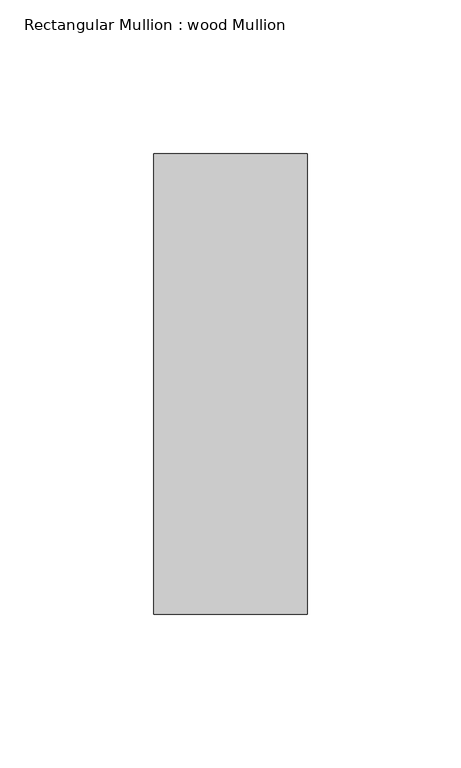
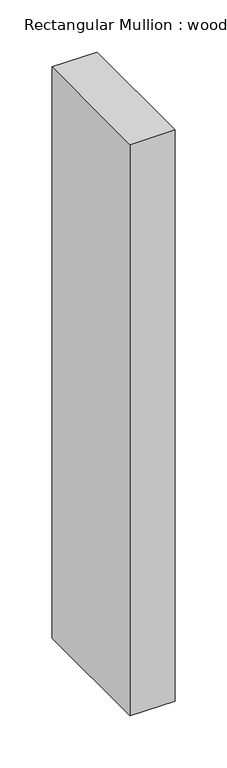
"""IFC4 building model written with IfcOpenShell, lengths in millimetres: member geometry, Rectangular Mullion : wood Mullion."""

from ifc_helpers import new_model, si_unit, frame, origin, place, context, project, spatial, polyline, outline, extrude, source, transform, mapped, element, save


def rectangular_mullion_wood_mullion_cece93f5(model_context):
    return source(origin(), model_context, "Body", "SweptSolid", [
        extrude(outline(polyline([(0.0, 75.0), (0.0, -75.0), (-50.0, -75.0), (-50.0, 75.0), (0.0, 75.0)])), frame((0.0, 0.0, -670.0), z_axis=(0.0, 0.0, 1.0), x_axis=(1.0, 0.0, 0.0)), (0.0, 0.0, 1.0), 670.0),
    ])


if __name__ == "__main__":
    model = new_model("IFC4")
    model_context = context("Model", 3, world=origin())
    ifc_project = project(units=[si_unit("LENGTHUNIT", "METRE", prefix="MILLI")], contexts=[model_context])
    site = spatial("IfcSite", under=ifc_project)
    building = spatial("IfcBuilding", under=site)
    placement = place(None, origin())
    rectangular_mullion_wood_mullion_shape = rectangular_mullion_wood_mullion_cece93f5(model_context)
    element("IfcMember", 1, ObjectType="Rectangular Mullion : wood Mullion", at=placement, inside=building, context=model_context, shape_type="MappedRepresentation", body=[
        mapped(rectangular_mullion_wood_mullion_shape, transform((0.0, 0.0, 0.0), x_axis=(1.0, 0.0, 0.0), y_axis=(0.0, 1.0, 0.0), z_axis=(0.0, 0.0, 1.0))),
    ])
    save(model, "model.ifc")
